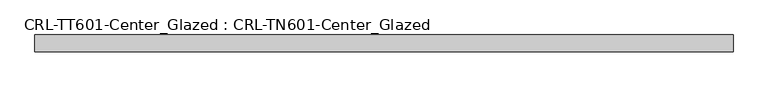
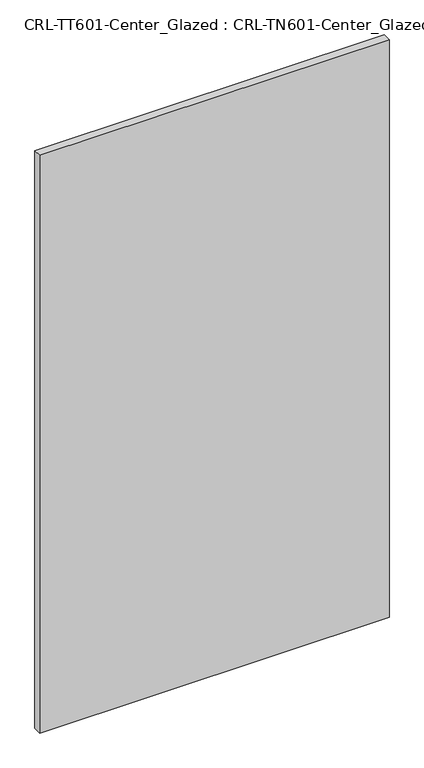
"""IFC4 building model written with IfcOpenShell, lengths in millimetres: plate geometry, CRL-TT601-Center_Glazed : CRL-TN601-Center_Glazed."""

from ifc_helpers import new_model, si_unit, origin, origin_with_axes, place, context, project, spatial, polyline, outline, extrude, source, transform, mapped, element, save


def crl_tt601_center_glazed_crl_tn601_center_glazed_d96f8194(model_context):
    return source(origin(), model_context, "Body", "SweptSolid", [
        extrude(outline(polyline([(-526.5436936, -12.7254), (-526.5436936, 12.6746), (526.5436936, 12.6746), (526.5436936, -12.7254), (-526.5436936, -12.7254)])), origin_with_axes(), (0.0, 0.0, 1.0), 1841.355463),
    ])


if __name__ == "__main__":
    model = new_model("IFC4")
    model_context = context("Model", 3, world=origin())
    ifc_project = project(units=[si_unit("LENGTHUNIT", "METRE", prefix="MILLI")], contexts=[model_context])
    site = spatial("IfcSite", under=ifc_project)
    building = spatial("IfcBuilding", under=site)
    placement = place(None, origin())
    crl_tt601_center_glazed_crl_tn601_center_glazed_shape = crl_tt601_center_glazed_crl_tn601_center_glazed_d96f8194(model_context)
    element("IfcPlate", 1, ObjectType="CRL-TT601-Center_Glazed : CRL-TN601-Center_Glazed", at=placement, inside=building, context=model_context, shape_type="MappedRepresentation", body=[
        mapped(crl_tt601_center_glazed_crl_tn601_center_glazed_shape, transform((0.0, 0.0, 0.0), x_axis=(1.0, 0.0, 0.0), y_axis=(0.0, 1.0, 0.0), z_axis=(0.0, 0.0, 1.0))),
    ])
    save(model, "model.ifc")
